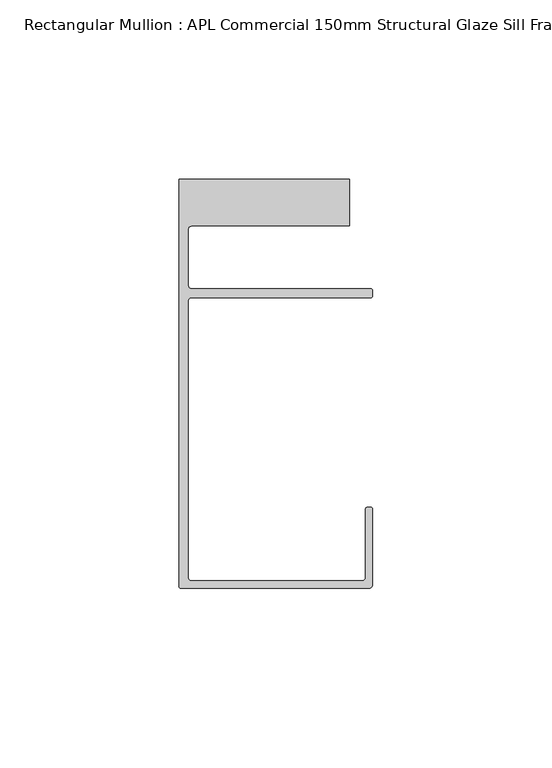
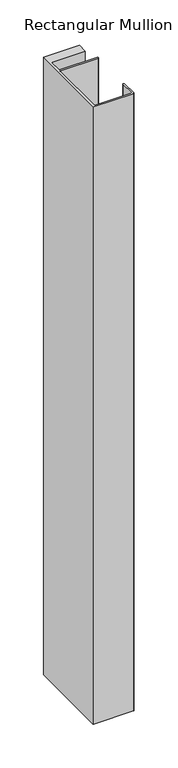
"""IFC4 building model written with IfcOpenShell, lengths in millimetres: member geometry, Rectangular Mullion : APL Commercial 150mm Structural Glaze Sill Frame (Back)."""

from ifc_helpers import new_model, si_unit, frame, origin, place, context, project, spatial, polyline, circle_curve, source, transform, mapped, element, save
from ifc_brep_helpers import plane_surface, cylinder_surface, revolved_surface, advanced_brep


def rectangular_mullion_apl_commercial_150mm_structural_glaze_8423599a(model_context):
    return source(origin(), model_context, "Body", "AdvancedBrep", [
        advanced_brep(
        [(-53.5000083, -129.0001071, 0.0), (-1.0000079, -129.0001071, 0.0), (-7.9e-06, -128.0001071, 0.0), (0.0, -107.0001071, 0.0), (-0.5, -106.5001071, 0.0), (-1.4999822, -106.5001071, 0.0), (-1.9999822, -107.0001071, 0.0), (-1.9999982, -126.0001071, 0.0), (-2.9999982, -127.0001071, 0.0), (-50.5000083, -127.00011, 0.0), (-51.5000083, -126.00011, 0.0), (-51.5000225, -48.9999541, 0.0), (-50.482081, -48.000115, 0.0), (-0.5000012, -48.000115, 0.0), (-5.4e-06, -47.5021598, 0.0), (-5.4e-06, -46.0213357, 0.0), (-0.521387, -45.4999541, 0.0), (-50.500032, -45.4999541, 0.0), (-51.500032, -44.4999541, 0.0), (-51.500032, -29.0004332, 0.0), (-50.500032, -28.0004332, 0.0), (-6.5000083, -28.0004332, 0.0), (-6.5000083, -15.0004332, 0.0), (-54.0000083, -15.0004332, 0.0), (-54.0000083, -128.5001071, 0.0), (-53.5000083, -129.0001071, -861.893457), (-54.0000083, -128.5001071, -861.893457), (-54.0000083, -15.0004332, -861.893457), (-6.5000083, -15.0004332, -861.893457), (-6.5000083, -28.0004332, -861.893457), (-50.500032, -28.0004332, -861.893457), (-51.500032, -29.0004332, -861.893457), (-51.500032, -44.4999541, -861.893457), (-50.500032, -45.4999541, -861.893457), (-0.521387, -45.4999541, -861.893457), (-5.4e-06, -46.0213357, -861.893457), (-5.4e-06, -47.5021598, -861.893457), (-0.5000012, -48.000115, -861.893457), (-50.482081, -48.000115, -861.893457), (-51.5000225, -48.9999541, -861.893457), (-51.5000225, -126.00011, -861.893457), (-50.5000083, -127.00011, -861.893457), (-2.9999982, -127.00011, -861.893457), (-1.9999982, -126.0001071, -861.893457), (-1.9999982, -107.0001071, -861.893457), (-1.4999822, -106.5001071, -861.893457), (-0.5, -106.5001071, -861.893457), (0.0, -107.0001071, -861.893457), (0.0, -128.0001071, -861.893457), (-1.0000079, -129.0001071, -861.893457)],
        [
            (0, 1),
            (1, 2, circle_curve(frame((-1.0000079, -128.0001071, 0.0), z_axis=(0.0, 0.0, 1.0), x_axis=(0.9999999999996143, -8.78371761103865e-07, 0.0)), 1.0)),
            (2, 3),
            (3, 4, circle_curve(frame((-0.5, -107.0001071, 0.0), z_axis=(0.0, 0.0, 1.0), x_axis=(0.0, 1.0, 0.0)), 0.5)),
            (4, 5),
            (5, 6, circle_curve(frame((-1.4999822, -107.0001071, 0.0), z_axis=(0.0, 0.0, 1.0), x_axis=(-1.0, 1.039279773351609e-08, 0.0)), 0.5)),
            (6, 7),
            (7, 8, circle_curve(frame((-2.9999982, -126.0001071, 0.0), z_axis=(0.0, 0.0, -1.0), x_axis=(0.0, -1.0, 0.0)), 1.0)),
            (8, 9),
            (9, 10, circle_curve(frame((-50.5000083, -126.00011, 0.0), z_axis=(0.0, 0.0, -1.0), x_axis=(-1.0, -3.636202450239078e-12, 0.0)), 1.0)),
            (10, 11),
            (11, 12, circle_curve(frame((-50.5000225, -48.9999541, 0.0), z_axis=(0.0, 0.0, -1.0), x_axis=(3.5344775231070867e-06, 0.9999999999937538, 0.0)), 1.0)),
            (12, 13),
            (13, 14, circle_curve(frame((-0.5000012, -47.500115, 0.0), z_axis=(0.0, 0.0, 1.0), x_axis=(0.9999999999999991, 4.5120271963110614e-08, 0.0)), 0.5)),
            (14, 15),
            (15, 16, circle_curve(frame((-0.521387, -46.0213357, 0.0), z_axis=(0.0, 0.0, 1.0), x_axis=(-1.0, 0.0, 0.0)), 0.5213816)),
            (16, 17),
            (17, 18, circle_curve(frame((-50.500032, -44.4999541, 0.0), z_axis=(0.0, 0.0, -1.0), x_axis=(-0.9999999999998819, -4.863123717036027e-07, 0.0)), 1.0)),
            (18, 19),
            (19, 20, circle_curve(frame((-50.500032, -29.0004332, 0.0), z_axis=(0.0, 0.0, -1.0), x_axis=(0.0, 1.0, 0.0)), 1.0)),
            (20, 21),
            (21, 22),
            (22, 23),
            (23, 24),
            (24, 0, circle_curve(frame((-53.5000083, -128.5001071, 0.0), z_axis=(0.0, 0.0, 1.0), x_axis=(0.0, -1.0, 0.0)), 0.5)),
            (25, 26, circle_curve(frame((-53.5000083, -128.5001071, -861.893457), z_axis=(0.0, 0.0, -1.0), x_axis=(0.0, -1.0, 0.0)), 0.5)),
            (26, 27),
            (27, 28),
            (28, 29),
            (29, 30),
            (30, 31, circle_curve(frame((-50.500032, -29.0004332, -861.893457), z_axis=(0.0, 0.0, 1.0), x_axis=(0.0, 1.0, 0.0)), 1.0)),
            (31, 32),
            (32, 33, circle_curve(frame((-50.500032, -44.4999541, -861.893457), z_axis=(0.0, 0.0, 1.0), x_axis=(-0.9999999999998819, -4.863123717036027e-07, 0.0)), 1.0)),
            (33, 34),
            (34, 35, circle_curve(frame((-0.521387, -46.0213357, -861.893457), z_axis=(0.0, 0.0, -1.0), x_axis=(-1.0, 0.0, 0.0)), 0.5213816)),
            (35, 36),
            (36, 37, circle_curve(frame((-0.5000012, -47.500115, -861.893457), z_axis=(0.0, 0.0, -1.0), x_axis=(0.9999999999999991, 4.5120271963110614e-08, 0.0)), 0.5)),
            (37, 38),
            (38, 39, circle_curve(frame((-50.5000225, -48.9999541, -861.893457), z_axis=(0.0, 0.0, 1.0), x_axis=(3.5344775231070867e-06, 0.9999999999937538, 0.0)), 1.0)),
            (39, 40),
            (40, 41, circle_curve(frame((-50.5000083, -126.00011, -861.893457), z_axis=(0.0, 0.0, 1.0), x_axis=(-1.0, -3.636202450239078e-12, 0.0)), 1.0)),
            (41, 42),
            (42, 43, circle_curve(frame((-2.9999982, -126.0001071, -861.893457), z_axis=(0.0, 0.0, 1.0), x_axis=(0.0, -1.0, 0.0)), 1.0)),
            (43, 44),
            (44, 45, circle_curve(frame((-1.4999822, -107.0001071, -861.893457), z_axis=(0.0, 0.0, -1.0), x_axis=(-1.0, 1.039279773351609e-08, 0.0)), 0.5)),
            (45, 46),
            (46, 47, circle_curve(frame((-0.5, -107.0001071, -861.893457), z_axis=(0.0, 0.0, -1.0), x_axis=(0.0, 1.0, 0.0)), 0.5)),
            (47, 48),
            (48, 49, circle_curve(frame((-1.0000079, -128.0001071, -861.893457), z_axis=(0.0, 0.0, -1.0), x_axis=(0.9999999999996143, -8.78371761103865e-07, 0.0)), 1.0)),
            (49, 25),
            (0, 25),
            (49, 1),
            (48, 2),
            (47, 3),
            (46, 4),
            (45, 5),
            (44, 6),
            (43, 7),
            (42, 8),
            (41, 9),
            (40, 10),
            (39, 11),
            (38, 12),
            (37, 13),
            (36, 14),
            (35, 15),
            (34, 16),
            (33, 17),
            (32, 18),
            (31, 19),
            (30, 20),
            (29, 21),
            (28, 22),
            (27, 23),
            (26, 24),
        ],
        [
            plane_surface(frame((0.0, -139.6548314, 0.0), z_axis=(0.0, 0.0, 1.0), x_axis=(-1.0, 0.0, 0.0))),
            plane_surface(frame((0.0, -139.6548314, -861.893457), z_axis=(0.0, 0.0, -1.0), x_axis=(-1.0, 0.0, 0.0))),
            plane_surface(frame((-53.5000083, -129.0001071, 0.0), z_axis=(0.0, -1.0, 0.0), x_axis=(0.0, 0.0, -1.0))),
            cylinder_surface(frame((-1.0000079, -128.0001071, 0.0), z_axis=(0.0, 0.0, 1.0000000000000002), x_axis=(0.9999999999996143, -8.78371761103865e-07, 0.0)), 1.0),
            plane_surface(frame((0.0, -128.0001071, 0.0), z_axis=(1.0, 0.0, 0.0), x_axis=(0.0, 0.0, -1.0))),
            cylinder_surface(frame((-0.5, -107.0001071, 0.0), z_axis=(0.0, 0.0, 1.0), x_axis=(0.0, 1.0, 0.0)), 0.5),
            plane_surface(frame((-0.5, -106.5001071, 0.0), z_axis=(0.0, 1.0, 0.0), x_axis=(0.0, 0.0, -1.0))),
            cylinder_surface(frame((-1.4999822, -107.0001071, 0.0), z_axis=(0.0, 0.0, 1.0), x_axis=(-1.0, 1.039279773351609e-08, 0.0)), 0.5),
            plane_surface(frame((-1.9999982, -107.0001071, 0.0), z_axis=(-1.0, 0.0, 0.0), x_axis=(0.0, 0.0, -1.0))),
            revolved_surface(polyline([(-2.9999982, -127.0001071, -861.893457), (-2.9999982, -127.0001071, 0.0)]), (-2.9999982, -126.0001071, 0.0), (0.0, 0.0, -1.0)),
            plane_surface(frame((-2.9999982, -127.00011, 0.0), z_axis=(0.0, 1.0, 0.0), x_axis=(0.0, 0.0, -1.0))),
            revolved_surface(polyline([(-51.5000083, -126.00011000000364, -861.893457), (-51.5000083, -126.00011000000364, 0.0)]), (-50.5000083, -126.00011, 0.0), (0.0, 0.0, -1.0)),
            plane_surface(frame((-51.5000225, -126.00011, 0.0), z_axis=(1.0, 0.0, 0.0), x_axis=(0.0, 0.0, -1.0))),
            revolved_surface(polyline([(-50.50001896552248, -47.99995410000624, -861.893457), (-50.50001896552248, -47.99995410000624, 0.0)]), (-50.5000225, -48.9999541, 0.0), (0.0, 0.0, -1.0)),
            plane_surface(frame((-50.482081, -48.000115, 0.0), z_axis=(0.0, -1.0, 0.0), x_axis=(0.0, 0.0, -1.0))),
            cylinder_surface(frame((-0.5000012, -47.500115, 0.0), z_axis=(0.0, 0.0, 1.0000000000000002), x_axis=(0.9999999999999991, 4.5120271963110614e-08, 0.0)), 0.5),
            plane_surface(frame((-5.4e-06, -47.5021598, 0.0), z_axis=(1.0, 0.0, 0.0), x_axis=(0.0, 0.0, -1.0))),
            cylinder_surface(frame((-0.521387, -46.0213357, 0.0), z_axis=(0.0, 0.0, 1.0), x_axis=(-1.0, 0.0, 0.0)), 0.5213816),
            plane_surface(frame((-0.521387, -45.4999541, 0.0), z_axis=(0.0, 1.0, 0.0), x_axis=(0.0, 0.0, -1.0))),
            revolved_surface(polyline([(-51.50003199999988, -44.49995458631237, -861.8934570000005), (-51.50003199999988, -44.49995458631237, 0.0)]), (-50.500032, -44.4999541, 0.0), (0.0, 0.0, -1.0000000000000002)),
            plane_surface(frame((-51.500032, -44.4999541, 0.0), z_axis=(1.0, 0.0, 0.0), x_axis=(0.0, 0.0, -1.0))),
            revolved_surface(polyline([(-50.500032, -28.0004332, -861.893457), (-50.500032, -28.0004332, 0.0)]), (-50.500032, -29.0004332, 0.0), (0.0, 0.0, -1.0)),
            plane_surface(frame((-50.500032, -28.0004332, 0.0), z_axis=(0.0, -1.0, 0.0), x_axis=(0.0, 0.0, -1.0))),
            plane_surface(frame((-6.5000083, -28.0004332, 0.0), z_axis=(1.0, 0.0, 0.0), x_axis=(0.0, 0.0, -1.0))),
            plane_surface(frame((-6.5000083, -15.0004332, 0.0), z_axis=(0.0, 1.0, 0.0), x_axis=(0.0, 0.0, -1.0))),
            plane_surface(frame((-54.0000083, -15.0004332, 0.0), z_axis=(-1.0, 0.0, 0.0), x_axis=(0.0, 0.0, -1.0))),
            cylinder_surface(frame((-53.5000083, -128.5001071, 0.0), z_axis=(0.0, 0.0, 1.0), x_axis=(0.0, -1.0, 0.0)), 0.5),
        ],
        [
            (0, [[1, 2, 3, 4, 5, 6, 7, 8, 9, 10, 11, 12, 13, 14, 15, 16, 17, 18, 19, 20, 21, 22, 23, 24, 25]]),
            (1, [[26, 27, 28, 29, 30, 31, 32, 33, 34, 35, 36, 37, 38, 39, 40, 41, 42, 43, 44, 45, 46, 47, 48, 49, 50]]),
            (2, [[-1, 51, -50, 52]]),
            (3, [[-2, -52, -49, 53]]),
            (4, [[-3, -53, -48, 54]]),
            (5, [[-4, -54, -47, 55]]),
            (6, [[-5, -55, -46, 56]]),
            (7, [[-6, -56, -45, 57]]),
            (8, [[-7, -57, -44, 58]]),
            (9, [[-8, -58, -43, 59]]),
            (10, [[-9, -59, -42, 60]]),
            (11, [[-10, -60, -41, 61]]),
            (12, [[-11, -61, -40, 62]]),
            (13, [[-12, -62, -39, 63]]),
            (14, [[-13, -63, -38, 64]]),
            (15, [[-14, -64, -37, 65]]),
            (16, [[-15, -65, -36, 66]]),
            (17, [[-16, -66, -35, 67]]),
            (18, [[-17, -67, -34, 68]]),
            (19, [[-18, -68, -33, 69]]),
            (20, [[-19, -69, -32, 70]]),
            (21, [[-20, -70, -31, 71]]),
            (22, [[-21, -71, -30, 72]]),
            (23, [[-22, -72, -29, 73]]),
            (24, [[-23, -73, -28, 74]]),
            (25, [[-24, -74, -27, 75]]),
            (26, [[-25, -75, -26, -51]]),
        ],
    ),
    ])


if __name__ == "__main__":
    model = new_model("IFC4")
    model_context = context("Model", 3, world=origin())
    ifc_project = project(units=[si_unit("LENGTHUNIT", "METRE", prefix="MILLI")], contexts=[model_context])
    site = spatial("IfcSite", under=ifc_project)
    building = spatial("IfcBuilding", under=site)
    placement = place(None, origin())
    rectangular_mullion_apl_commercial_150mm_structural_glaze_shape = rectangular_mullion_apl_commercial_150mm_structural_glaze_8423599a(model_context)
    element("IfcMember", 1, ObjectType="Rectangular Mullion : APL Commercial 150mm Structural Glaze Sill Frame (Back)", at=placement, inside=building, context=model_context, shape_type="MappedRepresentation", body=[
        mapped(rectangular_mullion_apl_commercial_150mm_structural_glaze_shape, transform((0.0, 0.0, 0.0), x_axis=(1.0, 0.0, 0.0), y_axis=(0.0, 1.0, 0.0), z_axis=(0.0, 0.0, 1.0))),
    ])
    save(model, "model.ifc")
